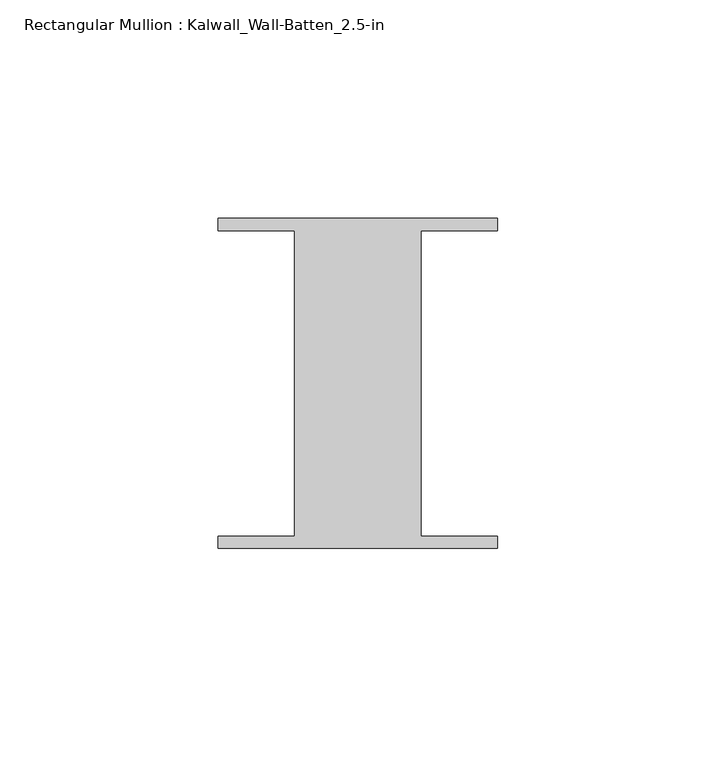
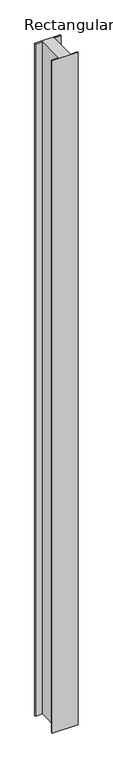
"""IFC4 building model written with IfcOpenShell, lengths in millimetres: member geometry, Rectangular Mullion : Kalwall_Wall-Batten_2.5-in."""

from ifc_helpers import new_model, si_unit, frame, origin, place, context, project, spatial, polyline, outline, extrude, source, transform, mapped, element, save


def rectangular_mullion_kalwall_wall_batten_2_5_in_0bbca8b1(model_context):
    return source(origin(), model_context, "Body", "SweptSolid", [
        extrude(outline(polyline([(-32.0, -36.524), (-32.0, -33.73), (-14.5, -33.73), (-14.5, 36.27), (-32.0, 36.27), (-32.0, 39.064), (32.0, 39.064), (32.0, 36.27), (14.5, 36.27), (14.5, -33.73), (32.0, -33.73), (32.0, -36.524), (-32.0, -36.524)])), frame((0.0, 0.0, -1763.25), z_axis=(0.0, 0.0, 1.0), x_axis=(1.0, 0.0, 0.0)), (0.0, 0.0, 1.0), 1763.25),
    ])


if __name__ == "__main__":
    model = new_model("IFC4")
    model_context = context("Model", 3, world=origin())
    ifc_project = project(units=[si_unit("LENGTHUNIT", "METRE", prefix="MILLI")], contexts=[model_context])
    site = spatial("IfcSite", under=ifc_project)
    building = spatial("IfcBuilding", under=site)
    placement = place(None, origin())
    rectangular_mullion_kalwall_wall_batten_2_5_in_shape = rectangular_mullion_kalwall_wall_batten_2_5_in_0bbca8b1(model_context)
    element("IfcMember", 1, ObjectType="Rectangular Mullion : Kalwall_Wall-Batten_2.5-in", at=placement, inside=building, context=model_context, shape_type="MappedRepresentation", body=[
        mapped(rectangular_mullion_kalwall_wall_batten_2_5_in_shape, transform((0.0, 0.0, 0.0), x_axis=(1.0, 0.0, 0.0), y_axis=(0.0, 1.0, 0.0), z_axis=(0.0, 0.0, 1.0))),
    ])
    save(model, "model.ifc")
